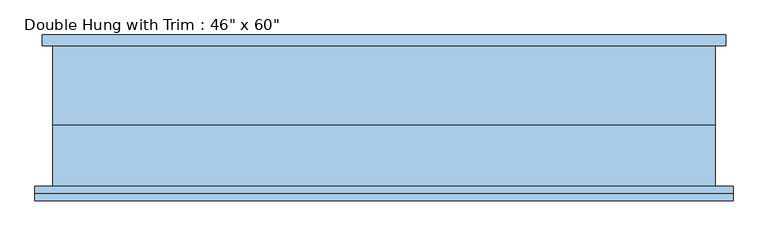
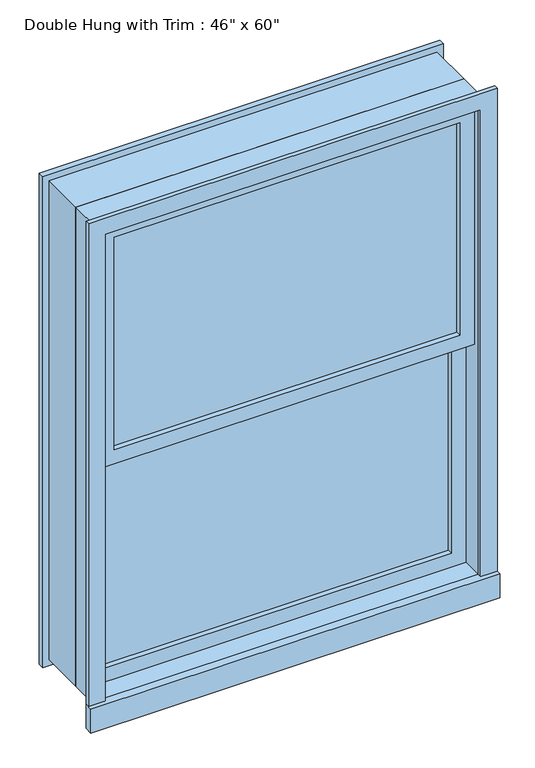
"""IFC4 building model written with IfcOpenShell, lengths in millimetres: window geometry."""

import ifcopenshell
import ifcopenshell.guid

model = None  # the IFC model being written
_history = None  # IfcOwnerHistory: only IFC2X3 demands one
_inside = {}  # id of a spatial element -> (the spatial element, [elements in it])
_under = {}  # id of a project, library or spatial element -> (it, [spatial elements below it])
_declared = {}  # id of a project -> (the project, [libraries it declares])
_typed = {}  # id of a type object -> (the type object, [elements of that type])
_made_of = {}  # id of a material, layer set ... -> (it, [elements and type objects made of it])


def new_model(schema):
    """Start an empty IFC model of exactly this schema.

    Asked for "IFC4X3", IfcOpenShell would pick the latest addendum, in which some entities
    have other attributes; the version numbers below select the first issue.
    IFC2X3 requires an IfcOwnerHistory on every rooted entity: one is made here for all.
    """
    global model, _history
    if schema == "IFC4X3":
        model = ifcopenshell.file(schema_version=(4, 3, 0, 0))
    else:
        model = ifcopenshell.file(schema=schema)
    _inside.clear()
    _under.clear()
    _declared.clear()
    _typed.clear()
    _made_of.clear()
    _history = None
    if model.schema == "IFC2X3":
        org = make("IfcOrganization", Name="unknown")
        user = make(
            "IfcPersonAndOrganization",
            ThePerson=make("IfcPerson", FamilyName="unknown"),
            TheOrganization=org,
        )
        app = make(
            "IfcApplication",
            ApplicationDeveloper=org,
            Version="unknown",
            ApplicationFullName="unknown",
            ApplicationIdentifier="unknown",
        )
        _history = make(
            "IfcOwnerHistory",
            OwningUser=user,
            OwningApplication=app,
            ChangeAction="ADDED",
            CreationDate=0,
        )
    return model


def make(cls, **values):
    """One entity of the class cls with the attributes given. An attribute that is None is left unset."""
    return model.create_entity(
        cls, **{name: value for name, value in values.items() if value is not None}
    )


def rooted(cls, **values):
    """An entity with a GlobalId (a new one), such as an element, a storey or a relation."""
    return make(cls, GlobalId=ifcopenshell.guid.new(), OwnerHistory=_history, **values)


def si_unit(unit_type, name, prefix=None):
    """IfcSIUnit, for example si_unit("LENGTHUNIT", "METRE", prefix="MILLI")."""
    return make("IfcSIUnit", UnitType=unit_type, Prefix=prefix, Name=name)


def assignment(units):
    """IfcUnitAssignment: the units of a project."""
    return None if units is None else make("IfcUnitAssignment", Units=units)


def point(xyz):
    """IfcCartesianPoint."""
    return None if xyz is None else make("IfcCartesianPoint", Coordinates=xyz)


def direction(xyz):
    """IfcDirection."""
    return None if xyz is None else make("IfcDirection", DirectionRatios=xyz)


def frame(location, z_axis=None, x_axis=None):
    """IfcAxis2Placement3D, a coordinate frame: its origin and axes. An axis left out is left unset."""
    return make(
        "IfcAxis2Placement3D",
        Location=point(location),
        Axis=direction(z_axis),
        RefDirection=direction(x_axis),
    )


def origin():
    """The frame at (0, 0, 0) with its axes left unset."""
    return frame((0.0, 0.0, 0.0))


def place(relative_to, where):
    """IfcLocalPlacement: puts the frame where relative to a parent placement (None: the world)."""
    return make(
        "IfcLocalPlacement", PlacementRelTo=relative_to, RelativePlacement=where
    )


def context(
    kind, dimensions, precision=None, world=None, true_north=None, identifier=None
):
    """IfcGeometricRepresentationContext, for example the 3D "Model" context."""
    return make(
        "IfcGeometricRepresentationContext",
        ContextIdentifier=identifier,
        ContextType=kind,
        CoordinateSpaceDimension=dimensions,
        Precision=precision,
        WorldCoordinateSystem=world,
        TrueNorth=true_north,
    )


def project(units=None, contexts=None):
    """IfcProject with its units and contexts."""
    return rooted(
        "IfcProject",
        Name="project",
        RepresentationContexts=contexts,
        UnitsInContext=assignment(units),
    )


def spatial(cls, under=None, at=None, **own):
    """A site, building, storey or space (cls), placed at a placement, below another one or the project."""
    s = rooted(cls, ObjectPlacement=at, **own)
    if under is not None:
        _under.setdefault(under.id(), (under, []))[1].append(s)
    return s


def polyline(points):
    """IfcPolyline through the points."""
    return make("IfcPolyline", Points=[point(p) for p in points])


def outline(outer, holes=None, kind="AREA"):
    """IfcArbitraryClosedProfileDef: a profile drawn as a closed curve; with holes, ...WithVoids."""
    if holes is None:
        return make("IfcArbitraryClosedProfileDef", ProfileType=kind, OuterCurve=outer)
    return make(
        "IfcArbitraryProfileDefWithVoids",
        ProfileType=kind,
        OuterCurve=outer,
        InnerCurves=holes,
    )


def extrude(swept, where, along, depth):
    """IfcExtrudedAreaSolid: the profile swept, set in the frame where, extruded along a direction by depth."""
    return make(
        "IfcExtrudedAreaSolid",
        SweptArea=swept,
        Position=where,
        ExtrudedDirection=direction(along),
        Depth=depth,
    )


def shape(context_of_items, identifier, shape_type, items):
    """IfcShapeRepresentation: the items that make up one representation, for example the "Body"."""
    return make(
        "IfcShapeRepresentation",
        ContextOfItems=context_of_items,
        RepresentationIdentifier=identifier,
        RepresentationType=shape_type,
        Items=items,
    )


def source(mapping_origin, context_of_items, identifier, shape_type, items):
    """IfcRepresentationMap: a shape defined once, which mapped items show again and again."""
    return make(
        "IfcRepresentationMap",
        MappingOrigin=mapping_origin,
        MappedRepresentation=shape(context_of_items, identifier, shape_type, items),
    )


def transform(
    local_origin,
    x_axis=None,
    y_axis=None,
    z_axis=None,
    scale=None,
    scale2=None,
    scale3=None,
    uniform=True,
):
    """IfcCartesianTransformationOperator3D, or its non-uniform kind. x_axis, y_axis, z_axis: its Axis1, 2, 3."""
    if uniform:
        return make(
            "IfcCartesianTransformationOperator3D",
            Axis1=direction(x_axis),
            Axis2=direction(y_axis),
            LocalOrigin=point(local_origin),
            Scale=scale,
            Axis3=direction(z_axis),
        )
    return make(
        "IfcCartesianTransformationOperator3DnonUniform",
        Axis1=direction(x_axis),
        Axis2=direction(y_axis),
        LocalOrigin=point(local_origin),
        Scale=scale,
        Axis3=direction(z_axis),
        Scale2=scale2,
        Scale3=scale3,
    )


def mapped(mapping_source, mapping_target):
    """IfcMappedItem: shows the shape of a source again, moved by a transform."""
    return make(
        "IfcMappedItem", MappingSource=mapping_source, MappingTarget=mapping_target
    )


def made_of(thing, what):
    """Note that an element or type object is made of a material, layer set ...; save() writes the relation."""
    if what is not None:
        _made_of.setdefault(what.id(), (what, []))[1].append(thing)
    return thing


def element(
    cls,
    number,
    at=None,
    inside=None,
    cuts=None,
    type_object=None,
    material=None,
    context=None,
    identifier="Body",
    shape_type=None,
    held_by="IfcProductDefinitionShape",
    body=None,
    shapes=None,
    **own,
):
    """One element of the class cls, such as IfcWall. Its Tag is "e" and its number.

    at: its placement. inside: the storey or other place that contains it. cuts: it is an
    opening in that element (IfcRelVoidsElement). A single representation is given by context,
    identifier, shape_type and body (its items); several are given by shapes. held_by: the class
    of the entity that holds the representations. save() writes the other relations.
    """
    e = rooted(cls, Tag="e%d" % number, ObjectPlacement=at, **own)
    if body is not None:
        shapes = [shape(context, identifier, shape_type, body)]
    if shapes is not None:
        e.Representation = make(held_by, Representations=shapes)
    if inside is not None:
        _inside.setdefault(inside.id(), (inside, []))[1].append(e)
    if cuts is not None:
        rooted(
            "IfcRelVoidsElement", RelatingBuildingElement=cuts, RelatedOpeningElement=e
        )
    if type_object is not None:
        _typed.setdefault(type_object.id(), (type_object, []))[1].append(e)
    return made_of(e, material)


def aggregate(whole, parts):
    """IfcRelAggregates: a whole, such as a stair, and the parts it consists of."""
    return rooted("IfcRelAggregates", RelatingObject=whole, RelatedObjects=parts)


def save(model, path):
    """Write the relations noted so far, then the file.

    IfcRelAggregates (storeys below a building ...), IfcRelContainedInSpatialStructure (elements
    in a storey), IfcRelDefinesByType, IfcRelAssociatesMaterial and IfcRelDeclares: one each for
    every whole, place, type object, material and project.
    """
    for whole, parts in _under.values():
        aggregate(whole, parts)
    for where, things in _inside.values():
        rooted(
            "IfcRelContainedInSpatialStructure",
            RelatedElements=things,
            RelatingStructure=where,
        )
    for kind, things in _typed.values():
        rooted("IfcRelDefinesByType", RelatedObjects=things, RelatingType=kind)
    for what, things in _made_of.values():
        rooted("IfcRelAssociatesMaterial", RelatedObjects=things, RelatingMaterial=what)
    for by, libraries in _declared.values():
        rooted("IfcRelDeclares", RelatingContext=by, RelatedDefinitions=libraries)
    model.write(path)


def window_48b2f868(model_context):
    return source(origin(), model_context, "Body", "SweptSolid", [
        extrude(outline(polyline([(-520.7, -44.45), (-520.7, -31.75), (520.7, -31.75), (520.7, -44.45), (-520.7, -44.45)])), frame((0.0, 0.0, 673.1), z_axis=(0.0, 0.0, 1.0), x_axis=(1.0, 0.0, 0.0)), (0.0, 0.0, 1.0), 676.275),
        extrude(outline(polyline([(1393.825, -565.15), (628.65, -565.15), (628.65, 565.15), (1393.825, 565.15), (1393.825, -565.15)]), holes=[polyline([(1349.375, -520.7), (1349.375, 520.7), (673.1, 520.7), (673.1, -520.7), (1349.375, -520.7)])]), frame((0.0, -60.325, 0.0), z_axis=(0.0, 1.0, 0.0), x_axis=(0.0, 0.0, 1.0)), (0.0, 0.0, 1.0), 44.45),
        extrude(outline(polyline([(-615.95, -149.225), (-615.95, -123.825), (615.95, -123.825), (615.95, -149.225), (-615.95, -149.225)])), frame((0.0, 0.0, 552.45), z_axis=(0.0, 0.0, 1.0), x_axis=(1.0, 0.0, 0.0)), (0.0, 0.0, 1.0), 76.2),
        extrude(outline(polyline([(2114.55, -565.15), (2114.55, 565.15), (628.65, 565.15), (628.65, 615.95), (2165.35, 615.95), (2165.35, -615.95), (628.65, -615.95), (628.65, -565.15), (2114.55, -565.15)])), frame((0.0, -136.525, 0.0), z_axis=(0.0, 1.0, 0.0), x_axis=(0.0, 0.0, 1.0)), (0.0, 0.0, 1.0), 12.7),
        extrude(outline(polyline([(2152.65, 603.25), (2152.65, -603.25), (590.55, -603.25), (590.55, 603.25), (2152.65, 603.25)]), holes=[polyline([(2101.85, 552.45), (641.35, 552.45), (641.35, -552.45), (2101.85, -552.45), (2101.85, 552.45)])]), frame((0.0, 123.825, 0.0), z_axis=(0.0, 1.0, 0.0), x_axis=(0.0, 0.0, 1.0)), (0.0, 0.0, 1.0), 19.05),
        extrude(outline(polyline([(520.7, -76.2), (520.7, -88.9), (-520.7, -88.9), (-520.7, -76.2), (520.7, -76.2)])), frame((0.0, 0.0, 1393.825), z_axis=(0.0, 0.0, 1.0), x_axis=(1.0, 0.0, 0.0)), (0.0, 0.0, 1.0), 676.275),
        extrude(outline(polyline([(2114.55, -565.15), (1349.375, -565.15), (1349.375, 565.15), (2114.55, 565.15), (2114.55, -565.15)]), holes=[polyline([(2070.1, -520.7), (2070.1, 520.7), (1393.825, 520.7), (1393.825, -520.7), (2070.1, -520.7)])]), frame((0.0, -104.775, 0.0), z_axis=(0.0, 1.0, 0.0), x_axis=(0.0, 0.0, 1.0)), (0.0, 0.0, 1.0), 44.45),
        extrude(outline(polyline([(2133.6, -584.2), (609.6, -584.2), (609.6, 584.2), (2133.6, 584.2), (2133.6, -584.2)]), holes=[polyline([(2101.85, -552.45), (2101.85, 552.45), (641.35, 552.45), (641.35, -552.45), (2101.85, -552.45)])]), frame((0.0, -15.875, 0.0), z_axis=(0.0, 1.0, 0.0), x_axis=(0.0, 0.0, 1.0)), (0.0, 0.0, 1.0), 139.7),
        extrude(outline(polyline([(2133.6, 584.2), (2133.6, -584.2), (609.6, -584.2), (609.6, 584.2), (2133.6, 584.2)]), holes=[polyline([(2114.55, 565.15), (628.65, 565.15), (628.65, -565.15), (2114.55, -565.15), (2114.55, 565.15)])]), frame((0.0, -123.825, 0.0), z_axis=(0.0, 1.0, 0.0), x_axis=(0.0, 0.0, 1.0)), (0.0, 0.0, 1.0), 107.95),
    ])


if __name__ == "__main__":
    model = new_model("IFC4")
    model_context = context("Model", 3, world=origin())
    ifc_project = project(units=[si_unit("LENGTHUNIT", "METRE", prefix="MILLI")], contexts=[model_context])
    site = spatial("IfcSite", under=ifc_project)
    building = spatial("IfcBuilding", under=site)
    placement = place(None, origin())
    window_shape = window_48b2f868(model_context)
    element("IfcWindow", 1, ObjectType="Double Hung with Trim : 46\" x 60\"", at=placement, inside=building, context=model_context, shape_type="MappedRepresentation", body=[
        mapped(window_shape, transform((0.0, 0.0, 0.0), x_axis=(1.0, 0.0, 0.0), y_axis=(0.0, 1.0, 0.0), z_axis=(0.0, 0.0, 1.0))),
    ])
    save(model, "model.ifc")
